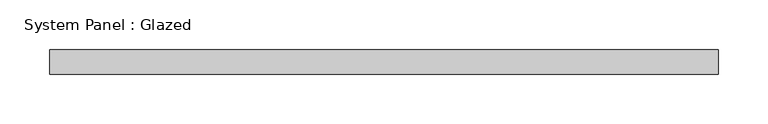
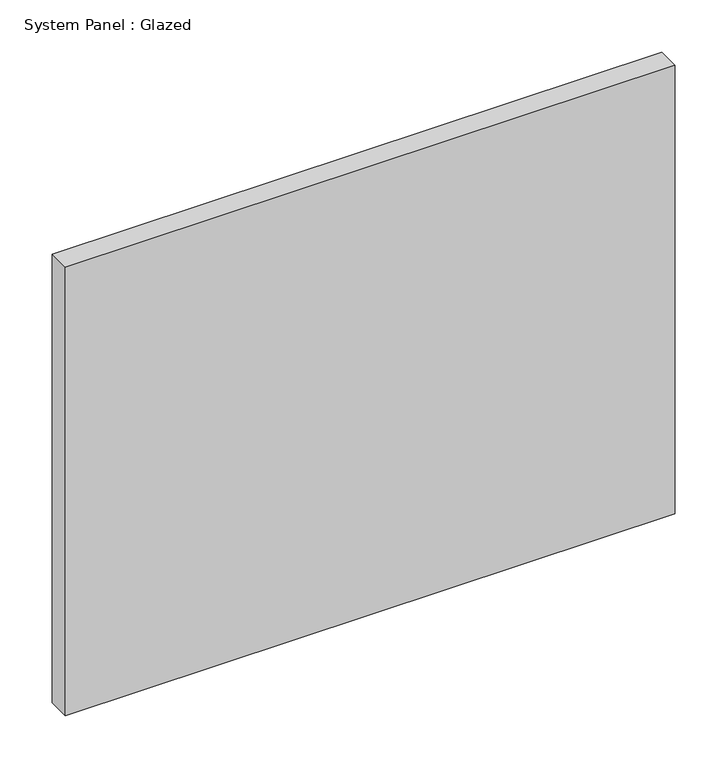
"""IFC4 building model written with IfcOpenShell, lengths in millimetres: plate geometry, System Panel : Glazed."""

from ifc_helpers import new_model, si_unit, origin, origin_with_axes, place, context, project, spatial, polyline, outline, extrude, source, transform, mapped, element, save


def system_panel_glazed_f46eaf41(model_context):
    return source(origin(), model_context, "Body", "SweptSolid", [
        extrude(outline(polyline([(337.5, 24.5), (-337.5, 24.5), (-337.5, 49.5), (337.5, 49.5), (337.5, 24.5)])), origin_with_axes(), (0.0, 0.0, 1.0), 525.0),
    ])


if __name__ == "__main__":
    model = new_model("IFC4")
    model_context = context("Model", 3, world=origin())
    ifc_project = project(units=[si_unit("LENGTHUNIT", "METRE", prefix="MILLI")], contexts=[model_context])
    site = spatial("IfcSite", under=ifc_project)
    building = spatial("IfcBuilding", under=site)
    placement = place(None, origin())
    system_panel_glazed_shape = system_panel_glazed_f46eaf41(model_context)
    element("IfcPlate", 1, ObjectType="System Panel : Glazed", at=placement, inside=building, context=model_context, shape_type="MappedRepresentation", body=[
        mapped(system_panel_glazed_shape, transform((0.0, 0.0, 0.0), x_axis=(1.0, 0.0, 0.0), y_axis=(0.0, 1.0, 0.0), z_axis=(0.0, 0.0, 1.0))),
    ])
    save(model, "model.ifc")
